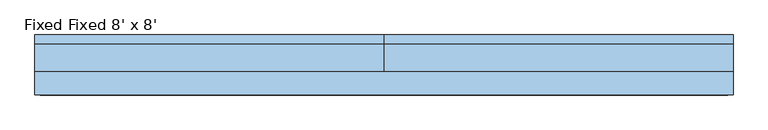
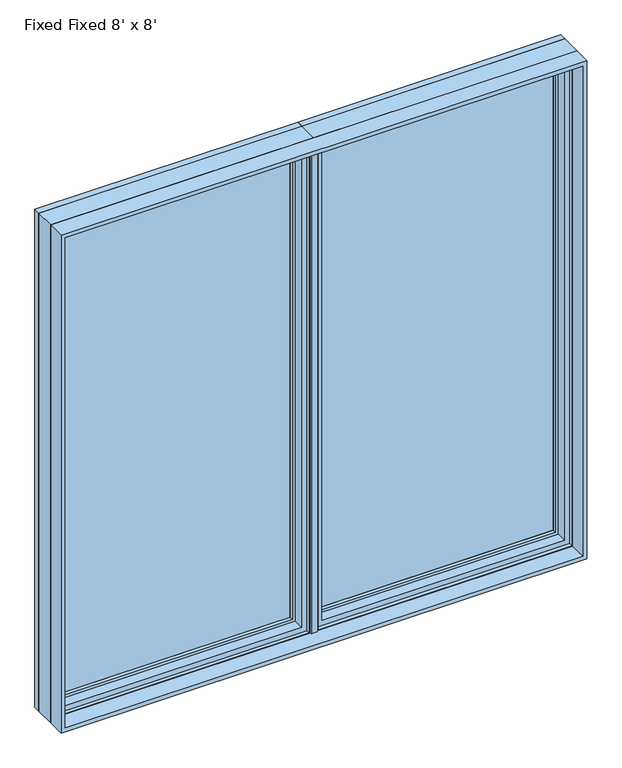
"""IFC4 building model written with IfcOpenShell, lengths in millimetres: window geometry, Fixed Fixed 8' x 8'."""

from ifc_helpers import new_model, si_unit, frame, origin, place, context, project, spatial, polyline, outline, extrude, faceted_brep, source, transform, mapped, element, save


def fixed_fixed_8_x_8_375ca771(model_context):
    return source(origin(), model_context, "Body", "SolidModel", [
        extrude(outline(polyline([(-14.684375, -6.1515625), (14.684375, -6.1515625), (14.684375, -12.5015625), (-14.684375, -12.5015625), (-14.684375, -6.1515625)])), frame((0.0, 0.0, 933.45), z_axis=(0.0, 0.0, 1.0), x_axis=(1.0, 0.0, 0.0)), (0.0, 0.0, 1.0), 2400.3),
        extrude(outline(polyline([(1165.621875, 74.215625), (53.578125, 74.215625), (53.578125, 91.678125), (1165.621875, 91.678125), (1165.621875, 74.215625)])), frame((0.0, 0.0, 967.978125), z_axis=(0.0, 0.0, 1.0), x_axis=(1.0, 0.0, 0.0)), (0.0, 0.0, 1.0), 2331.24375),
        faceted_brep([(1199.5404, 66.7563278, 934.0596), (1199.5404, 66.7563278, 3333.1404), (1199.5404, 88.3046875, 3333.1404), (1199.5404, 88.3046875, 934.0596), (1171.577183, 10.9227338, 3305.177183), (1171.577183, 59.7093984, 3305.177183), (1171.577183, 59.7093984, 962.025), (1171.577183, 10.9227338, 962.025), (1219.2, 88.3046875, 914.4), (1219.2, 88.3046875, 3352.8), (1219.2, -6.1515625, 3352.8), (1219.2, -6.1515625, 914.4), (19.6596, 66.7563278, 3333.1404), (19.6596, 88.3046875, 3333.1404), (47.622817, 10.9227338, 3305.177183), (47.622817, 59.7093984, 3305.177183), (0.0, 88.3046875, 3352.8), (0.0, -6.1515625, 3352.8), (1193.0634, 59.7093984, 940.5366), (1193.0634, 59.7093984, 3326.6634), (1193.0634, 66.7563278, 3326.6634), (1193.0634, 66.7563278, 940.5366), (26.1366, 59.7093984, 3326.6634), (26.1366, 66.7563278, 3326.6634), (22.2238888, -6.1515625, 3330.5761112), (22.2238888, 10.9227338, 3330.5761112), (1196.9761112, 10.9227338, 3330.5761112), (1196.9761112, -6.1515625, 3330.5761112), (1196.9761112, 10.9227338, 936.6238888), (1196.9761112, -6.1515625, 936.6238888), (0.0, -6.1515625, 914.4), (0.0, 88.3046875, 914.4), (19.6596, 88.3046875, 934.0596), (19.6596, 66.7563278, 934.0596), (26.1366, 66.7563278, 940.5366), (26.1366, 59.7093984, 940.5366), (47.622817, 59.7093984, 962.025), (47.622817, 10.9227338, 962.025), (22.2238888, 10.9227338, 936.6238888), (22.2238888, -6.1515625, 936.6238888)], [[[0, 1, 2, 3]], [[4, 5, 6, 7]], [[8, 9, 10, 11]], [[2, 1, 12, 13]], [[5, 4, 14, 15]], [[10, 9, 16, 17]], [[18, 19, 20, 21]], [[20, 19, 22, 23]], [[24, 25, 26, 27]], [[27, 26, 28, 29]], [[8, 11, 30, 31]], [[8, 31, 16, 9], [13, 32, 3, 2]], [[13, 12, 33, 32]], [[12, 1, 0, 33], [23, 34, 21, 20]], [[23, 22, 35, 34]], [[22, 19, 18, 35], [5, 15, 36, 6]], [[15, 14, 37, 36]], [[26, 25, 38, 28], [14, 4, 7, 37]], [[38, 25, 24, 39]], [[30, 11, 10, 17], [27, 29, 39, 24]], [[16, 31, 30, 17]], [[3, 32, 33, 0]], [[21, 34, 35, 18]], [[6, 36, 37, 7]], [[28, 38, 39, 29]]]),
        extrude(outline(polyline([(3325.9033048, 1192.3033048), (3325.9033048, 26.8966952), (941.2966952, 26.8966952), (941.2966952, 1192.3033048), (3325.9033048, 1192.3033048)]), holes=[polyline([(978.0984375, 1155.5015625), (978.0984375, 63.6984375), (3289.1015625, 63.6984375), (3289.1015625, 1155.5015625), (978.0984375, 1155.5015625)])]), frame((0.0, 92.7894782, 0.0), z_axis=(0.0, 1.0, 0.0), x_axis=(0.0, 0.0, 1.0)), (0.0, 0.0, 1.0), 14.1988723),
        faceted_brep([(1186.2341084, 91.5395729, 3319.8341084), (1186.2341084, 59.9499024, 3319.8341084), (1186.2341084, 59.9499024, 947.3658916), (1186.2341084, 91.5395729, 947.3658916), (1165.621875, 74.215625, 3299.221875), (1165.621875, 91.5395729, 3299.221875), (1165.621875, 91.5395729, 967.978125), (1165.621875, 74.215625, 967.978125), (32.9658916, 59.9499024, 947.3658916), (32.9658916, 91.5395729, 947.3658916), (53.578125, 91.5395729, 967.978125), (53.578125, 74.215625, 967.978125), (32.9658916, 59.9499024, 3319.8341084), (32.9658916, 91.5395729, 3319.8341084), (53.578125, 91.5395729, 3299.221875), (53.578125, 74.215625, 3299.221875), (1155.5015625, 74.215625, 3289.1015625), (63.6984375, 74.215625, 3289.1015625), (63.6984375, 74.215625, 978.0984375), (1155.5015625, 74.215625, 978.0984375), (1158.2498111, 59.9499024, 975.3501889), (60.9501889, 59.9499024, 975.3501889), (60.9501889, 59.9499024, 3291.8498111), (1158.2498111, 59.9499024, 3291.8498111), (1155.5015625, 72.8793953, 3289.1015625), (1155.5015625, 72.8793953, 978.0984375), (63.6984375, 72.8793953, 978.0984375), (63.6984375, 72.8793953, 3289.1015625)], [[[0, 1, 2, 3]], [[4, 5, 6, 7]], [[3, 2, 8, 9]], [[7, 6, 10, 11]], [[9, 8, 12, 13]], [[11, 10, 14, 15]], [[13, 12, 1, 0]], [[3, 9, 13, 0], [5, 14, 10, 6]], [[15, 14, 5, 4]], [[7, 11, 15, 4], [16, 17, 18, 19]], [[1, 12, 8, 2], [20, 21, 22, 23]], [[24, 16, 19, 25]], [[25, 19, 18, 26]], [[26, 18, 17, 27]], [[27, 17, 16, 24]], [[23, 24, 25, 20]], [[20, 25, 26, 21]], [[21, 26, 27, 22]], [[22, 27, 24, 23]]]),
        faceted_brep([(1204.6220166, 119.2736375, 3338.2220166), (1209.955345, 120.8484375, 3343.555345), (1209.955345, 120.8484375, 923.644655), (1204.6220166, 119.2736375, 928.9779834), (1199.7526868, 104.4927591, 3333.3526868), (1199.7526868, 119.2736375, 3333.3526868), (1199.7526868, 119.2736375, 933.8473132), (1199.7526868, 104.4927591, 933.8473132), (1219.2, 120.8484375, 3352.8), (1219.2, 88.3046875, 3352.8), (1219.2, 88.3046875, 914.4), (1219.2, 120.8484375, 914.4), (9.244655, 120.8484375, 923.644655), (14.5779834, 119.2736375, 928.9779834), (19.4473132, 119.2736375, 933.8473132), (19.4473132, 104.4927591, 933.8473132), (0.0, 88.3046875, 914.4), (0.0, 120.8484375, 914.4), (9.244655, 120.8484375, 3343.555345), (14.5779834, 119.2736375, 3338.2220166), (19.4473132, 119.2736375, 3333.3526868), (19.4473132, 104.4927591, 3333.3526868), (0.0, 88.3046875, 3352.8), (0.0, 120.8484375, 3352.8), (1198.5244, 88.3046875, 935.0756), (20.6756, 88.3046875, 935.0756), (20.6756, 88.3046875, 3332.1244), (1198.5244, 88.3046875, 3332.1244), (1198.5244, 90.3195591, 3332.1244), (1198.5244, 90.3195591, 935.0756), (20.6756, 90.3195591, 935.0756), (20.6756, 90.3195591, 3332.1244)], [[[0, 1, 2, 3]], [[4, 5, 6, 7]], [[8, 9, 10, 11]], [[3, 2, 12, 13]], [[7, 6, 14, 15]], [[11, 10, 16, 17]], [[13, 12, 18, 19]], [[15, 14, 20, 21]], [[17, 16, 22, 23]], [[11, 17, 23, 8], [1, 18, 12, 2]], [[19, 18, 1, 0]], [[3, 13, 19, 0], [5, 20, 14, 6]], [[21, 20, 5, 4]], [[9, 22, 16, 10], [24, 25, 26, 27]], [[23, 22, 9, 8]], [[28, 4, 7, 29]], [[27, 28, 29, 24]], [[29, 7, 15, 30]], [[24, 29, 30, 25]], [[30, 15, 21, 31]], [[25, 30, 31, 26]], [[31, 21, 4, 28]], [[26, 31, 28, 27]]]),
        extrude(outline(polyline([(-53.578125, 74.215625), (-1165.621875, 74.215625), (-1165.621875, 91.678125), (-53.578125, 91.678125), (-53.578125, 74.215625)])), frame((0.0, 0.0, 967.978125), z_axis=(0.0, 0.0, 1.0), x_axis=(1.0, 0.0, 0.0)), (0.0, 0.0, 1.0), 2331.24375),
        faceted_brep([(-19.6596, 66.7563278, 934.0596), (-19.6596, 66.7563278, 3333.1404), (-19.6596, 88.3046875, 3333.1404), (-19.6596, 88.3046875, 934.0596), (-47.622817, 10.9227338, 3305.177183), (-47.622817, 59.7093984, 3305.177183), (-47.622817, 59.7093984, 962.025), (-47.622817, 10.9227338, 962.025), (0.0, 88.3046875, 914.4), (0.0, 88.3046875, 3352.8), (0.0, -6.1515625, 3352.8), (0.0, -6.1515625, 914.4), (-1199.5404, 66.7563278, 3333.1404), (-1199.5404, 88.3046875, 3333.1404), (-1171.577183, 10.9227338, 3305.177183), (-1171.577183, 59.7093984, 3305.177183), (-1219.2, 88.3046875, 3352.8), (-1219.2, -6.1515625, 3352.8), (-26.1366, 59.7093984, 940.5366), (-26.1366, 59.7093984, 3326.6634), (-26.1366, 66.7563278, 3326.6634), (-26.1366, 66.7563278, 940.5366), (-1193.0634, 59.7093984, 3326.6634), (-1193.0634, 66.7563278, 3326.6634), (-1196.9761112, -6.1515625, 3330.5761112), (-1196.9761112, 10.9227338, 3330.5761112), (-22.2238888, 10.9227338, 3330.5761112), (-22.2238888, -6.1515625, 3330.5761112), (-22.2238888, 10.9227338, 936.6238888), (-22.2238888, -6.1515625, 936.6238888), (-1219.2, -6.1515625, 914.4), (-1219.2, 88.3046875, 914.4), (-1199.5404, 88.3046875, 934.0596), (-1199.5404, 66.7563278, 934.0596), (-1193.0634, 66.7563278, 940.5366), (-1193.0634, 59.7093984, 940.5366), (-1171.577183, 59.7093984, 962.025), (-1171.577183, 10.9227338, 962.025), (-1196.9761112, 10.9227338, 936.6238888), (-1196.9761112, -6.1515625, 936.6238888)], [[[0, 1, 2, 3]], [[4, 5, 6, 7]], [[8, 9, 10, 11]], [[2, 1, 12, 13]], [[5, 4, 14, 15]], [[10, 9, 16, 17]], [[18, 19, 20, 21]], [[20, 19, 22, 23]], [[24, 25, 26, 27]], [[27, 26, 28, 29]], [[8, 11, 30, 31]], [[8, 31, 16, 9], [13, 32, 3, 2]], [[13, 12, 33, 32]], [[12, 1, 0, 33], [23, 34, 21, 20]], [[23, 22, 35, 34]], [[22, 19, 18, 35], [5, 15, 36, 6]], [[15, 14, 37, 36]], [[26, 25, 38, 28], [14, 4, 7, 37]], [[38, 25, 24, 39]], [[30, 11, 10, 17], [27, 29, 39, 24]], [[16, 31, 30, 17]], [[3, 32, 33, 0]], [[21, 34, 35, 18]], [[6, 36, 37, 7]], [[28, 38, 39, 29]]]),
        extrude(outline(polyline([(3325.9033048, -26.8966952), (3325.9033048, -1192.3033048), (941.2966952, -1192.3033048), (941.2966952, -26.8966952), (3325.9033048, -26.8966952)]), holes=[polyline([(978.0984375, -63.6984375), (978.0984375, -1155.5015625), (3289.1015625, -1155.5015625), (3289.1015625, -63.6984375), (978.0984375, -63.6984375)])]), frame((0.0, 92.7894782, 0.0), z_axis=(0.0, 1.0, 0.0), x_axis=(0.0, 0.0, 1.0)), (0.0, 0.0, 1.0), 14.1988723),
        faceted_brep([(-32.9658916, 91.5395729, 3319.8341084), (-32.9658916, 59.9499024, 3319.8341084), (-32.9658916, 59.9499024, 947.3658916), (-32.9658916, 91.5395729, 947.3658916), (-53.578125, 74.215625, 3299.221875), (-53.578125, 91.5395729, 3299.221875), (-53.578125, 91.5395729, 967.978125), (-53.578125, 74.215625, 967.978125), (-1186.2341084, 59.9499024, 947.3658916), (-1186.2341084, 91.5395729, 947.3658916), (-1165.621875, 91.5395729, 967.978125), (-1165.621875, 74.215625, 967.978125), (-1186.2341084, 59.9499024, 3319.8341084), (-1186.2341084, 91.5395729, 3319.8341084), (-1165.621875, 91.5395729, 3299.221875), (-1165.621875, 74.215625, 3299.221875), (-63.6984375, 74.215625, 3289.1015625), (-1155.5015625, 74.215625, 3289.1015625), (-1155.5015625, 74.215625, 978.0984375), (-63.6984375, 74.215625, 978.0984375), (-60.9501889, 59.9499024, 975.3501889), (-1158.2498111, 59.9499024, 975.3501889), (-1158.2498111, 59.9499024, 3291.8498111), (-60.9501889, 59.9499024, 3291.8498111), (-63.6984375, 72.8793953, 3289.1015625), (-63.6984375, 72.8793953, 978.0984375), (-1155.5015625, 72.8793953, 978.0984375), (-1155.5015625, 72.8793953, 3289.1015625)], [[[0, 1, 2, 3]], [[4, 5, 6, 7]], [[3, 2, 8, 9]], [[7, 6, 10, 11]], [[9, 8, 12, 13]], [[11, 10, 14, 15]], [[13, 12, 1, 0]], [[3, 9, 13, 0], [5, 14, 10, 6]], [[15, 14, 5, 4]], [[7, 11, 15, 4], [16, 17, 18, 19]], [[1, 12, 8, 2], [20, 21, 22, 23]], [[24, 16, 19, 25]], [[25, 19, 18, 26]], [[26, 18, 17, 27]], [[27, 17, 16, 24]], [[23, 24, 25, 20]], [[20, 25, 26, 21]], [[21, 26, 27, 22]], [[22, 27, 24, 23]]]),
        faceted_brep([(-14.5779834, 119.2736375, 3338.2220166), (-9.244655, 120.8484375, 3343.555345), (-9.244655, 120.8484375, 923.644655), (-14.5779834, 119.2736375, 928.9779834), (-19.4473132, 104.4927591, 3333.3526868), (-19.4473132, 119.2736375, 3333.3526868), (-19.4473132, 119.2736375, 933.8473132), (-19.4473132, 104.4927591, 933.8473132), (0.0, 120.8484375, 3352.8), (0.0, 88.3046875, 3352.8), (0.0, 88.3046875, 914.4), (0.0, 120.8484375, 914.4), (-1209.955345, 120.8484375, 923.644655), (-1204.6220166, 119.2736375, 928.9779834), (-1199.7526868, 119.2736375, 933.8473132), (-1199.7526868, 104.4927591, 933.8473132), (-1219.2, 88.3046875, 914.4), (-1219.2, 120.8484375, 914.4), (-1209.955345, 120.8484375, 3343.555345), (-1204.6220166, 119.2736375, 3338.2220166), (-1199.7526868, 119.2736375, 3333.3526868), (-1199.7526868, 104.4927591, 3333.3526868), (-1219.2, 88.3046875, 3352.8), (-1219.2, 120.8484375, 3352.8), (-20.6756, 88.3046875, 935.0756), (-1198.5244, 88.3046875, 935.0756), (-1198.5244, 88.3046875, 3332.1244), (-20.6756, 88.3046875, 3332.1244), (-20.6756, 90.3195591, 3332.1244), (-20.6756, 90.3195591, 935.0756), (-1198.5244, 90.3195591, 935.0756), (-1198.5244, 90.3195591, 3332.1244)], [[[0, 1, 2, 3]], [[4, 5, 6, 7]], [[8, 9, 10, 11]], [[3, 2, 12, 13]], [[7, 6, 14, 15]], [[11, 10, 16, 17]], [[13, 12, 18, 19]], [[15, 14, 20, 21]], [[17, 16, 22, 23]], [[11, 17, 23, 8], [1, 18, 12, 2]], [[19, 18, 1, 0]], [[3, 13, 19, 0], [5, 20, 14, 6]], [[21, 20, 5, 4]], [[9, 22, 16, 10], [24, 25, 26, 27]], [[23, 22, 9, 8]], [[28, 4, 7, 29]], [[27, 28, 29, 24]], [[29, 7, 15, 30]], [[24, 29, 30, 25]], [[30, 15, 21, 31]], [[25, 30, 31, 26]], [[31, 21, 4, 28]], [[26, 31, 28, 27]]]),
        extrude(outline(polyline([(914.4, -1219.2), (914.4, 1219.2), (3352.8, 1219.2), (3352.8, -1219.2), (914.4, -1219.2)]), holes=[polyline([(3333.75, -1200.15), (3333.75, 1200.15), (933.45, 1200.15), (933.45, -1200.15), (3333.75, -1200.15)])]), frame((0.0, -88.9, 0.0), z_axis=(0.0, 1.0, 0.0), x_axis=(0.0, 0.0, 1.0)), (0.0, 0.0, 1.0), 82.7484375),
    ])


if __name__ == "__main__":
    model = new_model("IFC4")
    model_context = context("Model", 3, world=origin())
    ifc_project = project(units=[si_unit("LENGTHUNIT", "METRE", prefix="MILLI")], contexts=[model_context])
    site = spatial("IfcSite", under=ifc_project)
    building = spatial("IfcBuilding", under=site)
    placement = place(None, origin())
    fixed_fixed_8_x_8_shape = fixed_fixed_8_x_8_375ca771(model_context)
    element("IfcWindow", 1, ObjectType="Fixed Fixed 8' x 8'", at=placement, inside=building, context=model_context, shape_type="MappedRepresentation", body=[
        mapped(fixed_fixed_8_x_8_shape, transform((0.0, 0.0, 0.0), x_axis=(1.0, 0.0, 0.0), y_axis=(0.0, 1.0, 0.0), z_axis=(0.0, 0.0, 1.0))),
    ])
    save(model, "model.ifc")
